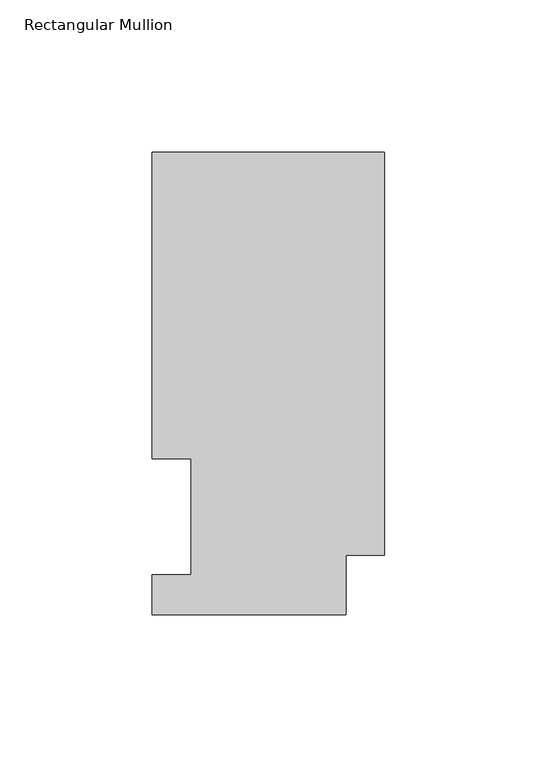
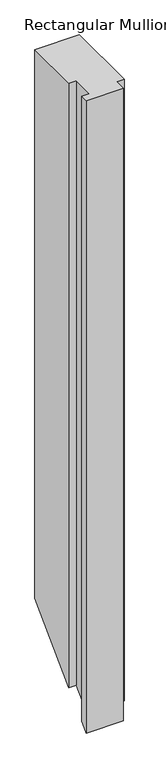
"""IFC4 building model written with IfcOpenShell, lengths in millimetres: member geometry, Rectangular Mullion."""

from ifc_helpers import new_model, si_unit, origin, place, context, project, spatial, faceted_brep, source, transform, mapped, element, save


def rectangular_mullion_548fd357(model_context):
    return source(origin(), model_context, "Body", "Brep", [
        faceted_brep([(0.0, 151.7027918, 0.0), (-76.2, 151.7027918, 0.0), (-76.2, 51.2960938, 0.0), (-63.5, 51.2960938, 0.0), (-63.5, 13.1965918, 0.0), (-76.2, 13.1965918, 0.0), (-76.2, 0.0139918, 0.0), (-12.7, 0.0139918, 0.0), (-12.7, 19.5460937, 0.0), (0.0, 19.5460937, 0.0), (0.0, 151.7027918, -991.305622), (-76.2, 151.7027918, -991.305622), (-76.2, 51.2960938, -1091.71232), (-63.5, 51.2960938, -1091.71232), (-63.5, 13.1965918, -1129.811822), (-76.2, 13.1965918, -1129.811822), (-76.2, 0.0139918, -1142.994422), (-12.7, 0.0139918, -1142.994422), (-12.7, 19.5460937, -1123.46232), (0.0, 19.5460937, -1123.46232)], [[[0, 1, 2, 3, 4, 5, 6, 7, 8, 9]], [[1, 0, 10, 11]], [[2, 1, 11, 12]], [[3, 2, 12, 13]], [[4, 3, 13, 14]], [[5, 4, 14, 15]], [[6, 5, 15, 16]], [[7, 6, 16, 17]], [[8, 7, 17, 18]], [[9, 8, 18, 19]], [[0, 9, 19, 10]], [[10, 19, 18, 17, 16, 15, 14, 13, 12, 11]]]),
    ])


if __name__ == "__main__":
    model = new_model("IFC4")
    model_context = context("Model", 3, world=origin())
    ifc_project = project(units=[si_unit("LENGTHUNIT", "METRE", prefix="MILLI")], contexts=[model_context])
    site = spatial("IfcSite", under=ifc_project)
    building = spatial("IfcBuilding", under=site)
    placement = place(None, origin())
    rectangular_mullion_shape = rectangular_mullion_548fd357(model_context)
    element("IfcMember", 1, ObjectType="Rectangular Mullion", at=placement, inside=building, context=model_context, shape_type="MappedRepresentation", body=[
        mapped(rectangular_mullion_shape, transform((0.0, 0.0, 0.0), x_axis=(1.0, 0.0, 0.0), y_axis=(0.0, 1.0, 0.0), z_axis=(0.0, 0.0, 1.0))),
    ])
    save(model, "model.ifc")
